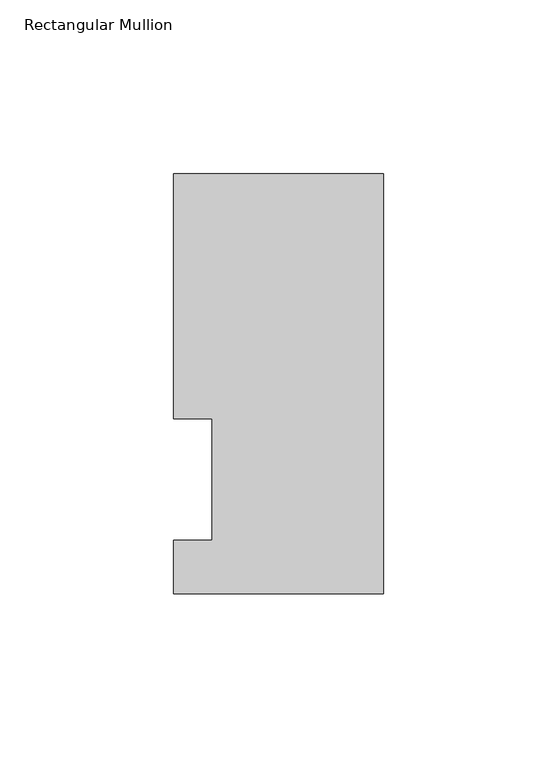
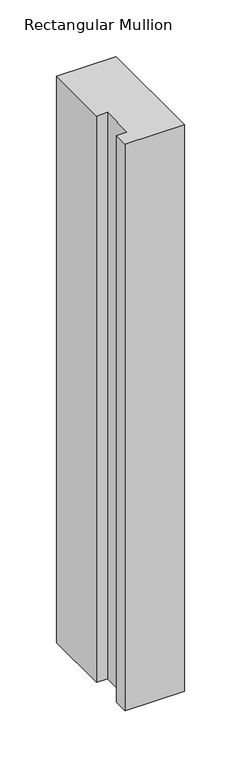
"""IFC4 building model written with IfcOpenShell, lengths in millimetres: member geometry, Rectangular Mullion."""

import ifcopenshell
import ifcopenshell.guid

model = None  # the IFC model being written
_history = None  # IfcOwnerHistory: only IFC2X3 demands one
_inside = {}  # id of a spatial element -> (the spatial element, [elements in it])
_under = {}  # id of a project, library or spatial element -> (it, [spatial elements below it])
_declared = {}  # id of a project -> (the project, [libraries it declares])
_typed = {}  # id of a type object -> (the type object, [elements of that type])
_made_of = {}  # id of a material, layer set ... -> (it, [elements and type objects made of it])


def new_model(schema):
    """Start an empty IFC model of exactly this schema.

    Asked for "IFC4X3", IfcOpenShell would pick the latest addendum, in which some entities
    have other attributes; the version numbers below select the first issue.
    IFC2X3 requires an IfcOwnerHistory on every rooted entity: one is made here for all.
    """
    global model, _history
    if schema == "IFC4X3":
        model = ifcopenshell.file(schema_version=(4, 3, 0, 0))
    else:
        model = ifcopenshell.file(schema=schema)
    _inside.clear()
    _under.clear()
    _declared.clear()
    _typed.clear()
    _made_of.clear()
    _history = None
    if model.schema == "IFC2X3":
        org = make("IfcOrganization", Name="unknown")
        user = make(
            "IfcPersonAndOrganization",
            ThePerson=make("IfcPerson", FamilyName="unknown"),
            TheOrganization=org,
        )
        app = make(
            "IfcApplication",
            ApplicationDeveloper=org,
            Version="unknown",
            ApplicationFullName="unknown",
            ApplicationIdentifier="unknown",
        )
        _history = make(
            "IfcOwnerHistory",
            OwningUser=user,
            OwningApplication=app,
            ChangeAction="ADDED",
            CreationDate=0,
        )
    return model


def make(cls, **values):
    """One entity of the class cls with the attributes given. An attribute that is None is left unset."""
    return model.create_entity(
        cls, **{name: value for name, value in values.items() if value is not None}
    )


def rooted(cls, **values):
    """An entity with a GlobalId (a new one), such as an element, a storey or a relation."""
    return make(cls, GlobalId=ifcopenshell.guid.new(), OwnerHistory=_history, **values)


def si_unit(unit_type, name, prefix=None):
    """IfcSIUnit, for example si_unit("LENGTHUNIT", "METRE", prefix="MILLI")."""
    return make("IfcSIUnit", UnitType=unit_type, Prefix=prefix, Name=name)


def assignment(units):
    """IfcUnitAssignment: the units of a project."""
    return None if units is None else make("IfcUnitAssignment", Units=units)


def point(xyz):
    """IfcCartesianPoint."""
    return None if xyz is None else make("IfcCartesianPoint", Coordinates=xyz)


def direction(xyz):
    """IfcDirection."""
    return None if xyz is None else make("IfcDirection", DirectionRatios=xyz)


def frame(location, z_axis=None, x_axis=None):
    """IfcAxis2Placement3D, a coordinate frame: its origin and axes. An axis left out is left unset."""
    return make(
        "IfcAxis2Placement3D",
        Location=point(location),
        Axis=direction(z_axis),
        RefDirection=direction(x_axis),
    )


def origin():
    """The frame at (0, 0, 0) with its axes left unset."""
    return frame((0.0, 0.0, 0.0))


def place(relative_to, where):
    """IfcLocalPlacement: puts the frame where relative to a parent placement (None: the world)."""
    return make(
        "IfcLocalPlacement", PlacementRelTo=relative_to, RelativePlacement=where
    )


def context(
    kind, dimensions, precision=None, world=None, true_north=None, identifier=None
):
    """IfcGeometricRepresentationContext, for example the 3D "Model" context."""
    return make(
        "IfcGeometricRepresentationContext",
        ContextIdentifier=identifier,
        ContextType=kind,
        CoordinateSpaceDimension=dimensions,
        Precision=precision,
        WorldCoordinateSystem=world,
        TrueNorth=true_north,
    )


def project(units=None, contexts=None):
    """IfcProject with its units and contexts."""
    return rooted(
        "IfcProject",
        Name="project",
        RepresentationContexts=contexts,
        UnitsInContext=assignment(units),
    )


def spatial(cls, under=None, at=None, **own):
    """A site, building, storey or space (cls), placed at a placement, below another one or the project."""
    s = rooted(cls, ObjectPlacement=at, **own)
    if under is not None:
        _under.setdefault(under.id(), (under, []))[1].append(s)
    return s


def polyline(points):
    """IfcPolyline through the points."""
    return make("IfcPolyline", Points=[point(p) for p in points])


def outline(outer, holes=None, kind="AREA"):
    """IfcArbitraryClosedProfileDef: a profile drawn as a closed curve; with holes, ...WithVoids."""
    if holes is None:
        return make("IfcArbitraryClosedProfileDef", ProfileType=kind, OuterCurve=outer)
    return make(
        "IfcArbitraryProfileDefWithVoids",
        ProfileType=kind,
        OuterCurve=outer,
        InnerCurves=holes,
    )


def extrude(swept, where, along, depth):
    """IfcExtrudedAreaSolid: the profile swept, set in the frame where, extruded along a direction by depth."""
    return make(
        "IfcExtrudedAreaSolid",
        SweptArea=swept,
        Position=where,
        ExtrudedDirection=direction(along),
        Depth=depth,
    )


def shape(context_of_items, identifier, shape_type, items):
    """IfcShapeRepresentation: the items that make up one representation, for example the "Body"."""
    return make(
        "IfcShapeRepresentation",
        ContextOfItems=context_of_items,
        RepresentationIdentifier=identifier,
        RepresentationType=shape_type,
        Items=items,
    )


def source(mapping_origin, context_of_items, identifier, shape_type, items):
    """IfcRepresentationMap: a shape defined once, which mapped items show again and again."""
    return make(
        "IfcRepresentationMap",
        MappingOrigin=mapping_origin,
        MappedRepresentation=shape(context_of_items, identifier, shape_type, items),
    )


def transform(
    local_origin,
    x_axis=None,
    y_axis=None,
    z_axis=None,
    scale=None,
    scale2=None,
    scale3=None,
    uniform=True,
):
    """IfcCartesianTransformationOperator3D, or its non-uniform kind. x_axis, y_axis, z_axis: its Axis1, 2, 3."""
    if uniform:
        return make(
            "IfcCartesianTransformationOperator3D",
            Axis1=direction(x_axis),
            Axis2=direction(y_axis),
            LocalOrigin=point(local_origin),
            Scale=scale,
            Axis3=direction(z_axis),
        )
    return make(
        "IfcCartesianTransformationOperator3DnonUniform",
        Axis1=direction(x_axis),
        Axis2=direction(y_axis),
        LocalOrigin=point(local_origin),
        Scale=scale,
        Axis3=direction(z_axis),
        Scale2=scale2,
        Scale3=scale3,
    )


def mapped(mapping_source, mapping_target):
    """IfcMappedItem: shows the shape of a source again, moved by a transform."""
    return make(
        "IfcMappedItem", MappingSource=mapping_source, MappingTarget=mapping_target
    )


def made_of(thing, what):
    """Note that an element or type object is made of a material, layer set ...; save() writes the relation."""
    if what is not None:
        _made_of.setdefault(what.id(), (what, []))[1].append(thing)
    return thing


def element(
    cls,
    number,
    at=None,
    inside=None,
    cuts=None,
    type_object=None,
    material=None,
    context=None,
    identifier="Body",
    shape_type=None,
    held_by="IfcProductDefinitionShape",
    body=None,
    shapes=None,
    **own,
):
    """One element of the class cls, such as IfcWall. Its Tag is "e" and its number.

    at: its placement. inside: the storey or other place that contains it. cuts: it is an
    opening in that element (IfcRelVoidsElement). A single representation is given by context,
    identifier, shape_type and body (its items); several are given by shapes. held_by: the class
    of the entity that holds the representations. save() writes the other relations.
    """
    e = rooted(cls, Tag="e%d" % number, ObjectPlacement=at, **own)
    if body is not None:
        shapes = [shape(context, identifier, shape_type, body)]
    if shapes is not None:
        e.Representation = make(held_by, Representations=shapes)
    if inside is not None:
        _inside.setdefault(inside.id(), (inside, []))[1].append(e)
    if cuts is not None:
        rooted(
            "IfcRelVoidsElement", RelatingBuildingElement=cuts, RelatedOpeningElement=e
        )
    if type_object is not None:
        _typed.setdefault(type_object.id(), (type_object, []))[1].append(e)
    return made_of(e, material)


def aggregate(whole, parts):
    """IfcRelAggregates: a whole, such as a stair, and the parts it consists of."""
    return rooted("IfcRelAggregates", RelatingObject=whole, RelatedObjects=parts)


def save(model, path):
    """Write the relations noted so far, then the file.

    IfcRelAggregates (storeys below a building ...), IfcRelContainedInSpatialStructure (elements
    in a storey), IfcRelDefinesByType, IfcRelAssociatesMaterial and IfcRelDeclares: one each for
    every whole, place, type object, material and project.
    """
    for whole, parts in _under.values():
        aggregate(whole, parts)
    for where, things in _inside.values():
        rooted(
            "IfcRelContainedInSpatialStructure",
            RelatedElements=things,
            RelatingStructure=where,
        )
    for kind, things in _typed.values():
        rooted("IfcRelDefinesByType", RelatedObjects=things, RelatingType=kind)
    for what, things in _made_of.values():
        rooted("IfcRelAssociatesMaterial", RelatedObjects=things, RelatingMaterial=what)
    for by, libraries in _declared.values():
        rooted("IfcRelDeclares", RelatingContext=by, RelatedDefinitions=libraries)
    model.write(path)


def rectangular_mullion_6ab93ddc(model_context):
    return source(origin(), model_context, "Body", "SweptSolid", [
        extrude(outline(polyline([(0.0, -3.3164122), (-60.3251015, -3.3164122), (-60.3251015, 12.1267878), (-49.2253015, 12.1267878), (-49.2253015, 47.0517878), (-60.3251015, 47.0517878), (-60.3251015, 117.4859878), (0.0, 117.4859878), (0.0, -3.3164122)])), frame((0.0, 0.0, -609.6), z_axis=(0.0, 0.0, 1.0), x_axis=(1.0, 0.0, 0.0)), (0.0, 0.0, 1.0), 609.6),
    ])


if __name__ == "__main__":
    model = new_model("IFC4")
    model_context = context("Model", 3, world=origin())
    ifc_project = project(units=[si_unit("LENGTHUNIT", "METRE", prefix="MILLI")], contexts=[model_context])
    site = spatial("IfcSite", under=ifc_project)
    building = spatial("IfcBuilding", under=site)
    placement = place(None, origin())
    rectangular_mullion_shape = rectangular_mullion_6ab93ddc(model_context)
    element("IfcMember", 1, ObjectType="Rectangular Mullion", at=placement, inside=building, context=model_context, shape_type="MappedRepresentation", body=[
        mapped(rectangular_mullion_shape, transform((0.0, 0.0, 0.0), x_axis=(1.0, 0.0, 0.0), y_axis=(0.0, 1.0, 0.0), z_axis=(0.0, 0.0, 1.0))),
    ])
    save(model, "model.ifc")
